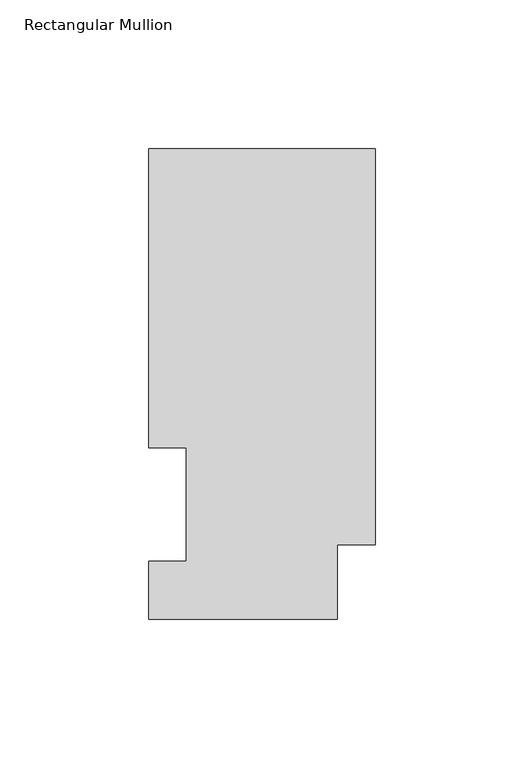
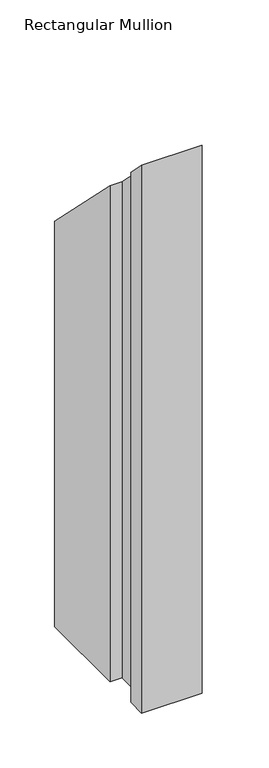
"""IFC4 building model written with IfcOpenShell, lengths in millimetres: member geometry, Rectangular Mullion."""

from ifc_helpers import new_model, si_unit, origin, place, context, project, spatial, faceted_brep, source, transform, mapped, element, save


def rectangular_mullion_4de248df(model_context):
    return source(origin(), model_context, "Body", "Brep", [
        faceted_brep([(-76.2, 158.3316937, -609.6), (0.0, 158.3316937, -609.6), (0.0, 25.0832937, -609.6), (-12.7, 25.0832937, -609.6), (-12.7, 0.0134937, -609.6), (-76.2, 0.0134937, -609.6), (-76.2, 19.5460937, -609.6), (-63.5, 19.5460937, -609.6), (-63.5, 57.6460938, -609.6), (-76.2, 57.6460938, -609.6), (-76.2, 57.6460938, -57.6460938), (-76.2, 158.3316937, -158.3316937), (-63.5, 57.6460938, -57.6460938), (-63.5, 19.5460937, -19.5460937), (-76.2, 19.5460937, -19.5460937), (-76.2, 0.0134937, -0.0134937), (-12.7, 0.0134937, -0.0134937), (-12.7, 25.0832937, -25.0832937), (0.0, 25.0832937, -25.0832937), (0.0, 158.3316937, -158.3316937)], [[[0, 1, 2, 3, 4, 5, 6, 7, 8, 9]], [[10, 11, 0, 9]], [[12, 10, 9, 8]], [[13, 12, 8, 7]], [[14, 13, 7, 6]], [[15, 14, 6, 5]], [[16, 15, 5, 4]], [[17, 16, 4, 3]], [[18, 17, 3, 2]], [[19, 18, 2, 1]], [[11, 19, 1, 0]], [[11, 10, 12, 13, 14, 15, 16, 17, 18, 19]]]),
    ])


if __name__ == "__main__":
    model = new_model("IFC4")
    model_context = context("Model", 3, world=origin())
    ifc_project = project(units=[si_unit("LENGTHUNIT", "METRE", prefix="MILLI")], contexts=[model_context])
    site = spatial("IfcSite", under=ifc_project)
    building = spatial("IfcBuilding", under=site)
    placement = place(None, origin())
    rectangular_mullion_shape = rectangular_mullion_4de248df(model_context)
    element("IfcMember", 1, ObjectType="Rectangular Mullion", at=placement, inside=building, context=model_context, shape_type="MappedRepresentation", body=[
        mapped(rectangular_mullion_shape, transform((0.0, 0.0, 0.0), x_axis=(1.0, 0.0, 0.0), y_axis=(0.0, 1.0, 0.0), z_axis=(0.0, 0.0, 1.0))),
    ])
    save(model, "model.ifc")
